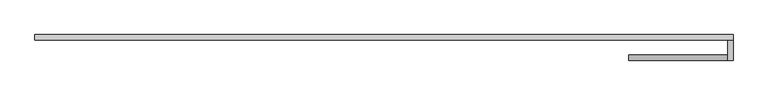
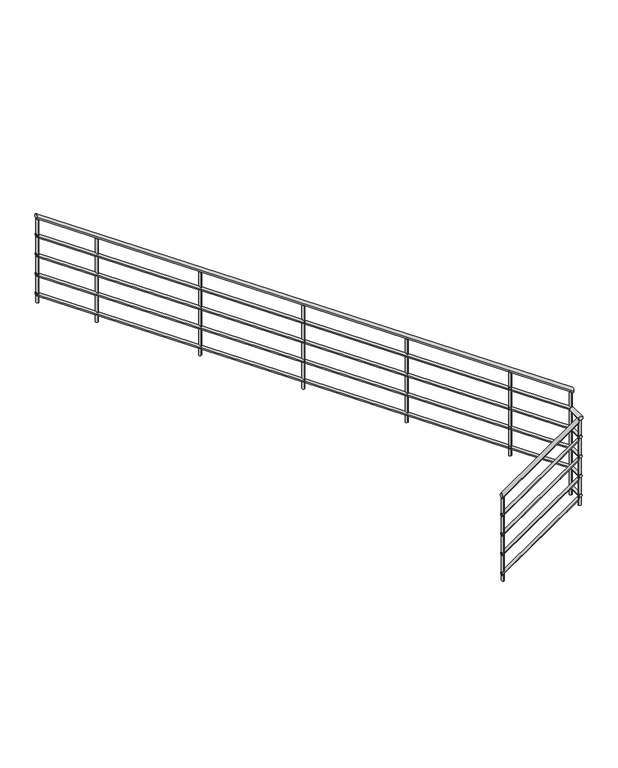
"""IFC4 building model written with IfcOpenShell, lengths in millimetres: railing geometry."""

from ifc_helpers import new_model, si_unit, point, frame, frame_2d, origin, place, context, project, spatial, circle_curve, ellipse_curve, trimmed, segment, composite_curve, outline, extrude, source, transform, mapped, element, save
from ifc_brep_helpers import plane_surface, cylinder_surface, advanced_brep


def railing_328e5c47(model_context):
    return source(origin(), model_context, "Body", "SolidModel", [
        advanced_brep(
        [(-1975.9784025, 8754.6868987, 1155.6747872), (-1975.9784025, 8794.6868987, 1155.6747872), (-1240.9784025, 8754.6868987, 1664.5209411), (-1240.9784025, 8794.6868987, 1664.5209411)],
        [
            (0, 1, ellipse_curve(frame((-1975.9784025, 8774.6868987, 1155.6747872), z_axis=(-1.0, 0.0, 0.0), x_axis=(0.0, 0.0, -1.0)), 24.3252128, 20.0)),
            (1, 0, ellipse_curve(frame((-1975.9784025, 8774.6868987, 1155.6747872), z_axis=(-1.0, 0.0, 0.0), x_axis=(0.0, 0.0, -1.0)), 24.3252128, 20.0)),
            (2, 3, ellipse_curve(frame((-1240.9784025, 8774.6868987, 1664.5209411), z_axis=(1.0, 0.0, 0.0), x_axis=(0.0, 0.0, -1.0)), 24.3252128, 20.0)),
            (3, 2, ellipse_curve(frame((-1240.9784025, 8774.6868987, 1664.5209411), z_axis=(1.0, 0.0, 0.0), x_axis=(0.0, 0.0, -1.0)), 24.3252128, 20.0)),
            (0, 2),
            (3, 1),
        ],
        [
            plane_surface(frame((-1975.9784025, 8774.6868987, 1180.0), z_axis=(-1.0, 0.0, 0.0), x_axis=(0.0, 1.0, 0.0))),
            plane_surface(frame((-1240.9784025, 8774.6868987, 1688.8461538), z_axis=(1.0, 0.0, 0.0), x_axis=(0.0, 1.0, 0.0))),
            cylinder_surface(frame((-1964.5942029, 8774.6868987, 1163.5561562), z_axis=(-0.8221921916437788, 0.0, -0.5692099788303081), x_axis=(0.0, 1.0, 0.0)), 20.0),
        ],
        [
            (0, [[1, 2]]),
            (1, [[3, 4]]),
            (2, [[-1, 5, -4, 6]]),
            (2, [[-2, -6, -3, -5]]),
        ],
    ),
        advanced_brep(
        [(-1200.9784025, 8754.6868987, 1700.0), (-1240.9784025, 8754.6868987, 1700.0), (-1200.9784025, 8904.6868987, 1700.0), (-1240.9784025, 8904.6868987, 1700.0)],
        [
            (0, 1, circle_curve(frame((-1220.9784025, 8754.6868987, 1700.0), z_axis=(0.0, -1.0, 0.0), x_axis=(-1.0, 0.0, 0.0)), 20.0)),
            (1, 0, circle_curve(frame((-1220.9784025, 8754.6868987, 1700.0), z_axis=(0.0, -1.0, 0.0), x_axis=(-1.0, 0.0, 0.0)), 20.0)),
            (2, 3, circle_curve(frame((-1220.9784025, 8904.6868987, 1700.0), z_axis=(0.0, 1.0, 0.0), x_axis=(-1.0, 0.0, 0.0)), 20.0)),
            (3, 2, circle_curve(frame((-1220.9784025, 8904.6868987, 1700.0), z_axis=(0.0, 1.0, 0.0), x_axis=(-1.0, 0.0, 0.0)), 20.0)),
            (0, 2),
            (3, 1),
        ],
        [
            plane_surface(frame((-1220.9784025, 8754.6868987, 1720.0), z_axis=(0.0, -1.0, 0.0), x_axis=(0.0, 0.0, 1.0))),
            plane_surface(frame((-1220.9784025, 8904.6868987, 1720.0), z_axis=(0.0, 1.0, 0.0), x_axis=(0.0, 0.0, 1.0))),
            cylinder_surface(frame((-1220.9784025, 8754.6868987, 1700.0), z_axis=(0.0, -1.0, 0.0), x_axis=(-1.0, 0.0, 0.0)), 20.0),
        ],
        [
            (0, [[1, 2]]),
            (1, [[3, 4]]),
            (2, [[-1, 5, -4, 6]]),
            (2, [[-2, -6, -3, -5]]),
        ],
    ),
        advanced_brep(
        [(-1200.9784025, 8944.6868987, 1879.1363257), (-1200.9784025, 8904.6868987, 1879.1363257), (-6395.9784025, 8944.6868987, 5475.6747872), (-6395.9784025, 8904.6868987, 5475.6747872)],
        [
            (0, 1, ellipse_curve(frame((-1200.9784025, 8924.6868987, 1879.1363257), z_axis=(1.0, 0.0, 0.0), x_axis=(0.0, 0.0, -1.0)), 24.3252128, 20.0)),
            (1, 0, ellipse_curve(frame((-1200.9784025, 8924.6868987, 1879.1363257), z_axis=(1.0, 0.0, 0.0), x_axis=(0.0, 0.0, -1.0)), 24.3252128, 20.0)),
            (2, 3, ellipse_curve(frame((-6395.9784025, 8924.6868987, 5475.6747872), z_axis=(-1.0, 0.0, 0.0), x_axis=(0.0, 0.0, -1.0)), 24.3252128, 20.0)),
            (3, 2, ellipse_curve(frame((-6395.9784025, 8924.6868987, 5475.6747872), z_axis=(-1.0, 0.0, 0.0), x_axis=(0.0, 0.0, -1.0)), 24.3252128, 20.0)),
            (0, 2),
            (3, 1),
        ],
        [
            plane_surface(frame((-1200.9784025, 8924.6868987, 1903.4615385), z_axis=(1.0, 0.0, 0.0), x_axis=(0.0, -1.0, 0.0))),
            plane_surface(frame((-6395.9784025, 8924.6868987, 5500.0), z_axis=(-1.0, 0.0, 0.0), x_axis=(0.0, -1.0, 0.0))),
            cylinder_surface(frame((-1212.3626021, 8924.6868987, 1887.0176946), z_axis=(0.8221921916437788, 0.0, -0.5692099788303082), x_axis=(0.0, -1.0, 0.0)), 20.0),
        ],
        [
            (0, [[1, 2]]),
            (1, [[3, 4]]),
            (2, [[-1, 5, -4, 6]]),
            (2, [[-2, -6, -3, -5]]),
        ],
    ),
        advanced_brep(
        [(-1975.9784025, 8759.6868987, 961.7560904), (-1975.9784025, 8789.6868987, 961.7560904), (-1235.9784025, 8759.6868987, 1474.0637827), (-1235.9784025, 8789.6868987, 1474.0637827)],
        [
            (0, 1, ellipse_curve(frame((-1975.9784025, 8774.6868987, 961.7560904), z_axis=(-1.0, 0.0, 0.0), x_axis=(0.0, 0.0, -1.0)), 18.2439096, 15.0)),
            (1, 0, ellipse_curve(frame((-1975.9784025, 8774.6868987, 961.7560904), z_axis=(-1.0, 0.0, 0.0), x_axis=(0.0, 0.0, -1.0)), 18.2439096, 15.0)),
            (2, 3, ellipse_curve(frame((-1235.9784025, 8774.6868987, 1474.0637827), z_axis=(1.0, 0.0, 0.0), x_axis=(0.0, 0.0, -1.0)), 18.2439096, 15.0)),
            (3, 2, ellipse_curve(frame((-1235.9784025, 8774.6868987, 1474.0637827), z_axis=(1.0, 0.0, 0.0), x_axis=(0.0, 0.0, -1.0)), 18.2439096, 15.0)),
            (0, 2),
            (3, 1),
        ],
        [
            plane_surface(frame((-1975.9784025, 8774.6868987, 980.0), z_axis=(-1.0, 0.0, 0.0), x_axis=(0.0, 1.0, 0.0))),
            plane_surface(frame((-1235.9784025, 8774.6868987, 1492.3076923), z_axis=(1.0, 0.0, 0.0), x_axis=(0.0, 1.0, 0.0))),
            cylinder_surface(frame((-1967.4402528, 8774.6868987, 967.6671171), z_axis=(-0.8221921916437788, 0.0, -0.5692099788303081), x_axis=(0.0, 1.0, 0.0)), 15.0),
        ],
        [
            (0, [[1, 2]]),
            (1, [[3, 4]]),
            (2, [[-1, 5, -4, 6]]),
            (2, [[-2, -6, -3, -5]]),
        ],
    ),
        advanced_brep(
        [(-1205.9784025, 8759.6868987, 1505.0), (-1235.9784025, 8759.6868987, 1505.0), (-1205.9784025, 8909.6868987, 1505.0), (-1235.9784025, 8909.6868987, 1505.0)],
        [
            (0, 1, circle_curve(frame((-1220.9784025, 8759.6868987, 1505.0), z_axis=(0.0, -1.0, 0.0), x_axis=(-1.0, 0.0, 0.0)), 15.0)),
            (1, 0, circle_curve(frame((-1220.9784025, 8759.6868987, 1505.0), z_axis=(0.0, -1.0, 0.0), x_axis=(-1.0, 0.0, 0.0)), 15.0)),
            (2, 3, circle_curve(frame((-1220.9784025, 8909.6868987, 1505.0), z_axis=(0.0, 1.0, 0.0), x_axis=(-1.0, 0.0, 0.0)), 15.0)),
            (3, 2, circle_curve(frame((-1220.9784025, 8909.6868987, 1505.0), z_axis=(0.0, 1.0, 0.0), x_axis=(-1.0, 0.0, 0.0)), 15.0)),
            (0, 2),
            (3, 1),
        ],
        [
            plane_surface(frame((-1220.9784025, 8759.6868987, 1520.0), z_axis=(0.0, -1.0, 0.0), x_axis=(0.0, 0.0, 1.0))),
            plane_surface(frame((-1220.9784025, 8909.6868987, 1520.0), z_axis=(0.0, 1.0, 0.0), x_axis=(0.0, 0.0, 1.0))),
            cylinder_surface(frame((-1220.9784025, 8759.6868987, 1505.0), z_axis=(0.0, -1.0, 0.0), x_axis=(-1.0, 0.0, 0.0)), 15.0),
        ],
        [
            (0, [[1, 2]]),
            (1, [[3, 4]]),
            (2, [[-1, 5, -4, 6]]),
            (2, [[-2, -6, -3, -5]]),
        ],
    ),
        advanced_brep(
        [(-1205.9784025, 8939.6868987, 1688.6791673), (-1205.9784025, 8909.6868987, 1688.6791673), (-6395.9784025, 8939.6868987, 5281.7560904), (-6395.9784025, 8909.6868987, 5281.7560904)],
        [
            (0, 1, ellipse_curve(frame((-1205.9784025, 8924.6868987, 1688.6791673), z_axis=(1.0, 0.0, 0.0), x_axis=(0.0, 0.0, -1.0)), 18.2439096, 15.0)),
            (1, 0, ellipse_curve(frame((-1205.9784025, 8924.6868987, 1688.6791673), z_axis=(1.0, 0.0, 0.0), x_axis=(0.0, 0.0, -1.0)), 18.2439096, 15.0)),
            (2, 3, ellipse_curve(frame((-6395.9784025, 8924.6868987, 5281.7560904), z_axis=(-1.0, 0.0, 0.0), x_axis=(0.0, 0.0, -1.0)), 18.2439096, 15.0)),
            (3, 2, ellipse_curve(frame((-6395.9784025, 8924.6868987, 5281.7560904), z_axis=(-1.0, 0.0, 0.0), x_axis=(0.0, 0.0, -1.0)), 18.2439096, 15.0)),
            (0, 2),
            (3, 1),
        ],
        [
            plane_surface(frame((-1205.9784025, 8924.6868987, 1706.9230769), z_axis=(1.0, 0.0, 0.0), x_axis=(0.0, -1.0, 0.0))),
            plane_surface(frame((-6395.9784025, 8924.6868987, 5300.0), z_axis=(-1.0, 0.0, 0.0), x_axis=(0.0, -1.0, 0.0))),
            cylinder_surface(frame((-1214.5165522, 8924.6868987, 1694.590194), z_axis=(0.8221921916437788, 0.0, -0.5692099788303082), x_axis=(0.0, -1.0, 0.0)), 15.0),
        ],
        [
            (0, [[1, 2]]),
            (1, [[3, 4]]),
            (2, [[-1, 5, -4, 6]]),
            (2, [[-2, -6, -3, -5]]),
        ],
    ),
        advanced_brep(
        [(-1975.9784025, 8759.6868987, 761.7560904), (-1975.9784025, 8789.6868987, 761.7560904), (-1235.9784025, 8759.6868987, 1274.0637827), (-1235.9784025, 8789.6868987, 1274.0637827)],
        [
            (0, 1, ellipse_curve(frame((-1975.9784025, 8774.6868987, 761.7560904), z_axis=(-1.0, 0.0, 0.0), x_axis=(0.0, 0.0, -1.0)), 18.2439096, 15.0)),
            (1, 0, ellipse_curve(frame((-1975.9784025, 8774.6868987, 761.7560904), z_axis=(-1.0, 0.0, 0.0), x_axis=(0.0, 0.0, -1.0)), 18.2439096, 15.0)),
            (2, 3, ellipse_curve(frame((-1235.9784025, 8774.6868987, 1274.0637827), z_axis=(1.0, 0.0, 0.0), x_axis=(0.0, 0.0, -1.0)), 18.2439096, 15.0)),
            (3, 2, ellipse_curve(frame((-1235.9784025, 8774.6868987, 1274.0637827), z_axis=(1.0, 0.0, 0.0), x_axis=(0.0, 0.0, -1.0)), 18.2439096, 15.0)),
            (0, 2),
            (3, 1),
        ],
        [
            plane_surface(frame((-1975.9784025, 8774.6868987, 780.0), z_axis=(-1.0, 0.0, 0.0), x_axis=(0.0, 1.0, 0.0))),
            plane_surface(frame((-1235.9784025, 8774.6868987, 1292.3076923), z_axis=(1.0, 0.0, 0.0), x_axis=(0.0, 1.0, 0.0))),
            cylinder_surface(frame((-1967.4402528, 8774.6868987, 767.6671171), z_axis=(-0.8221921916437788, 0.0, -0.5692099788303081), x_axis=(0.0, 1.0, 0.0)), 15.0),
        ],
        [
            (0, [[1, 2]]),
            (1, [[3, 4]]),
            (2, [[-1, 5, -4, 6]]),
            (2, [[-2, -6, -3, -5]]),
        ],
    ),
        advanced_brep(
        [(-1205.9784025, 8759.6868987, 1305.0), (-1235.9784025, 8759.6868987, 1305.0), (-1205.9784025, 8909.6868987, 1305.0), (-1235.9784025, 8909.6868987, 1305.0)],
        [
            (0, 1, circle_curve(frame((-1220.9784025, 8759.6868987, 1305.0), z_axis=(0.0, -1.0, 0.0), x_axis=(-1.0, 0.0, 0.0)), 15.0)),
            (1, 0, circle_curve(frame((-1220.9784025, 8759.6868987, 1305.0), z_axis=(0.0, -1.0, 0.0), x_axis=(-1.0, 0.0, 0.0)), 15.0)),
            (2, 3, circle_curve(frame((-1220.9784025, 8909.6868987, 1305.0), z_axis=(0.0, 1.0, 0.0), x_axis=(-1.0, 0.0, 0.0)), 15.0)),
            (3, 2, circle_curve(frame((-1220.9784025, 8909.6868987, 1305.0), z_axis=(0.0, 1.0, 0.0), x_axis=(-1.0, 0.0, 0.0)), 15.0)),
            (0, 2),
            (3, 1),
        ],
        [
            plane_surface(frame((-1220.9784025, 8759.6868987, 1320.0), z_axis=(0.0, -1.0, 0.0), x_axis=(0.0, 0.0, 1.0))),
            plane_surface(frame((-1220.9784025, 8909.6868987, 1320.0), z_axis=(0.0, 1.0, 0.0), x_axis=(0.0, 0.0, 1.0))),
            cylinder_surface(frame((-1220.9784025, 8759.6868987, 1305.0), z_axis=(0.0, -1.0, 0.0), x_axis=(-1.0, 0.0, 0.0)), 15.0),
        ],
        [
            (0, [[1, 2]]),
            (1, [[3, 4]]),
            (2, [[-1, 5, -4, 6]]),
            (2, [[-2, -6, -3, -5]]),
        ],
    ),
        advanced_brep(
        [(-1205.9784025, 8939.6868987, 1488.6791673), (-1205.9784025, 8909.6868987, 1488.6791673), (-6395.9784025, 8939.6868987, 5081.7560904), (-6395.9784025, 8909.6868987, 5081.7560904)],
        [
            (0, 1, ellipse_curve(frame((-1205.9784025, 8924.6868987, 1488.6791673), z_axis=(1.0, 0.0, 0.0), x_axis=(0.0, 0.0, -1.0)), 18.2439096, 15.0)),
            (1, 0, ellipse_curve(frame((-1205.9784025, 8924.6868987, 1488.6791673), z_axis=(1.0, 0.0, 0.0), x_axis=(0.0, 0.0, -1.0)), 18.2439096, 15.0)),
            (2, 3, ellipse_curve(frame((-6395.9784025, 8924.6868987, 5081.7560904), z_axis=(-1.0, 0.0, 0.0), x_axis=(0.0, 0.0, -1.0)), 18.2439096, 15.0)),
            (3, 2, ellipse_curve(frame((-6395.9784025, 8924.6868987, 5081.7560904), z_axis=(-1.0, 0.0, 0.0), x_axis=(0.0, 0.0, -1.0)), 18.2439096, 15.0)),
            (0, 2),
            (3, 1),
        ],
        [
            plane_surface(frame((-1205.9784025, 8924.6868987, 1506.9230769), z_axis=(1.0, 0.0, 0.0), x_axis=(0.0, -1.0, 0.0))),
            plane_surface(frame((-6395.9784025, 8924.6868987, 5100.0), z_axis=(-1.0, 0.0, 0.0), x_axis=(0.0, -1.0, 0.0))),
            cylinder_surface(frame((-1214.5165522, 8924.6868987, 1494.590194), z_axis=(0.8221921916437788, 0.0, -0.5692099788303082), x_axis=(0.0, -1.0, 0.0)), 15.0),
        ],
        [
            (0, [[1, 2]]),
            (1, [[3, 4]]),
            (2, [[-1, 5, -4, 6]]),
            (2, [[-2, -6, -3, -5]]),
        ],
    ),
        advanced_brep(
        [(-1975.9784025, 8759.6868987, 561.7560904), (-1975.9784025, 8789.6868987, 561.7560904), (-1235.9784025, 8759.6868987, 1074.0637827), (-1235.9784025, 8789.6868987, 1074.0637827)],
        [
            (0, 1, ellipse_curve(frame((-1975.9784025, 8774.6868987, 561.7560904), z_axis=(-1.0, 0.0, 0.0), x_axis=(0.0, 0.0, -1.0)), 18.2439096, 15.0)),
            (1, 0, ellipse_curve(frame((-1975.9784025, 8774.6868987, 561.7560904), z_axis=(-1.0, 0.0, 0.0), x_axis=(0.0, 0.0, -1.0)), 18.2439096, 15.0)),
            (2, 3, ellipse_curve(frame((-1235.9784025, 8774.6868987, 1074.0637827), z_axis=(1.0, 0.0, 0.0), x_axis=(0.0, 0.0, -1.0)), 18.2439096, 15.0)),
            (3, 2, ellipse_curve(frame((-1235.9784025, 8774.6868987, 1074.0637827), z_axis=(1.0, 0.0, 0.0), x_axis=(0.0, 0.0, -1.0)), 18.2439096, 15.0)),
            (0, 2),
            (3, 1),
        ],
        [
            plane_surface(frame((-1975.9784025, 8774.6868987, 580.0), z_axis=(-1.0, 0.0, 0.0), x_axis=(0.0, 1.0, 0.0))),
            plane_surface(frame((-1235.9784025, 8774.6868987, 1092.3076923), z_axis=(1.0, 0.0, 0.0), x_axis=(0.0, 1.0, 0.0))),
            cylinder_surface(frame((-1967.4402528, 8774.6868987, 567.6671171), z_axis=(-0.8221921916437789, 0.0, -0.5692099788303081), x_axis=(0.0, 1.0, 0.0)), 15.0),
        ],
        [
            (0, [[1, 2]]),
            (1, [[3, 4]]),
            (2, [[-1, 5, -4, 6]]),
            (2, [[-2, -6, -3, -5]]),
        ],
    ),
        advanced_brep(
        [(-1205.9784025, 8759.6868987, 1105.0), (-1235.9784025, 8759.6868987, 1105.0), (-1205.9784025, 8909.6868987, 1105.0), (-1235.9784025, 8909.6868987, 1105.0)],
        [
            (0, 1, circle_curve(frame((-1220.9784025, 8759.6868987, 1105.0), z_axis=(0.0, -1.0, 0.0), x_axis=(-1.0, 0.0, 0.0)), 15.0)),
            (1, 0, circle_curve(frame((-1220.9784025, 8759.6868987, 1105.0), z_axis=(0.0, -1.0, 0.0), x_axis=(-1.0, 0.0, 0.0)), 15.0)),
            (2, 3, circle_curve(frame((-1220.9784025, 8909.6868987, 1105.0), z_axis=(0.0, 1.0, 0.0), x_axis=(-1.0, 0.0, 0.0)), 15.0)),
            (3, 2, circle_curve(frame((-1220.9784025, 8909.6868987, 1105.0), z_axis=(0.0, 1.0, 0.0), x_axis=(-1.0, 0.0, 0.0)), 15.0)),
            (0, 2),
            (3, 1),
        ],
        [
            plane_surface(frame((-1220.9784025, 8759.6868987, 1120.0), z_axis=(0.0, -1.0, 0.0), x_axis=(0.0, 0.0, 1.0))),
            plane_surface(frame((-1220.9784025, 8909.6868987, 1120.0), z_axis=(0.0, 1.0, 0.0), x_axis=(0.0, 0.0, 1.0))),
            cylinder_surface(frame((-1220.9784025, 8759.6868987, 1105.0), z_axis=(0.0, -1.0, 0.0), x_axis=(-1.0, 0.0, 0.0)), 15.0),
        ],
        [
            (0, [[1, 2]]),
            (1, [[3, 4]]),
            (2, [[-1, 5, -4, 6]]),
            (2, [[-2, -6, -3, -5]]),
        ],
    ),
        advanced_brep(
        [(-1205.9784025, 8939.6868987, 1288.6791673), (-1205.9784025, 8909.6868987, 1288.6791673), (-6395.9784025, 8939.6868987, 4881.7560904), (-6395.9784025, 8909.6868987, 4881.7560904)],
        [
            (0, 1, ellipse_curve(frame((-1205.9784025, 8924.6868987, 1288.6791673), z_axis=(1.0, 0.0, 0.0), x_axis=(0.0, 0.0, -1.0)), 18.2439096, 15.0)),
            (1, 0, ellipse_curve(frame((-1205.9784025, 8924.6868987, 1288.6791673), z_axis=(1.0, 0.0, 0.0), x_axis=(0.0, 0.0, -1.0)), 18.2439096, 15.0)),
            (2, 3, ellipse_curve(frame((-6395.9784025, 8924.6868987, 4881.7560904), z_axis=(-1.0, 0.0, 0.0), x_axis=(0.0, 0.0, -1.0)), 18.2439096, 15.0)),
            (3, 2, ellipse_curve(frame((-6395.9784025, 8924.6868987, 4881.7560904), z_axis=(-1.0, 0.0, 0.0), x_axis=(0.0, 0.0, -1.0)), 18.2439096, 15.0)),
            (0, 2),
            (3, 1),
        ],
        [
            plane_surface(frame((-1205.9784025, 8924.6868987, 1306.9230769), z_axis=(1.0, 0.0, 0.0), x_axis=(0.0, -1.0, 0.0))),
            plane_surface(frame((-6395.9784025, 8924.6868987, 4900.0), z_axis=(-1.0, 0.0, 0.0), x_axis=(0.0, -1.0, 0.0))),
            cylinder_surface(frame((-1214.5165522, 8924.6868987, 1294.590194), z_axis=(0.8221921916437788, 0.0, -0.5692099788303082), x_axis=(0.0, -1.0, 0.0)), 15.0),
        ],
        [
            (0, [[1, 2]]),
            (1, [[3, 4]]),
            (2, [[-1, 5, -4, 6]]),
            (2, [[-2, -6, -3, -5]]),
        ],
    ),
        advanced_brep(
        [(-1975.9784025, 8759.6868987, 361.7560904), (-1975.9784025, 8789.6868987, 361.7560904), (-1235.9784025, 8759.6868987, 874.0637827), (-1235.9784025, 8789.6868987, 874.0637827)],
        [
            (0, 1, ellipse_curve(frame((-1975.9784025, 8774.6868987, 361.7560904), z_axis=(-1.0, 0.0, 0.0), x_axis=(0.0, 0.0, -1.0)), 18.2439096, 15.0)),
            (1, 0, ellipse_curve(frame((-1975.9784025, 8774.6868987, 361.7560904), z_axis=(-1.0, 0.0, 0.0), x_axis=(0.0, 0.0, -1.0)), 18.2439096, 15.0)),
            (2, 3, ellipse_curve(frame((-1235.9784025, 8774.6868987, 874.0637827), z_axis=(1.0, 0.0, 0.0), x_axis=(0.0, 0.0, -1.0)), 18.2439096, 15.0)),
            (3, 2, ellipse_curve(frame((-1235.9784025, 8774.6868987, 874.0637827), z_axis=(1.0, 0.0, 0.0), x_axis=(0.0, 0.0, -1.0)), 18.2439096, 15.0)),
            (0, 2),
            (3, 1),
        ],
        [
            plane_surface(frame((-1975.9784025, 8774.6868987, 380.0), z_axis=(-1.0, 0.0, 0.0), x_axis=(0.0, 1.0, 0.0))),
            plane_surface(frame((-1235.9784025, 8774.6868987, 892.3076923), z_axis=(1.0, 0.0, 0.0), x_axis=(0.0, 1.0, 0.0))),
            cylinder_surface(frame((-1967.4402528, 8774.6868987, 367.6671171), z_axis=(-0.8221921916437789, 0.0, -0.5692099788303081), x_axis=(0.0, 1.0, 0.0)), 15.0),
        ],
        [
            (0, [[1, 2]]),
            (1, [[3, 4]]),
            (2, [[-1, 5, -4, 6]]),
            (2, [[-2, -6, -3, -5]]),
        ],
    ),
        advanced_brep(
        [(-1205.9784025, 8759.6868987, 905.0), (-1235.9784025, 8759.6868987, 905.0), (-1205.9784025, 8909.6868987, 905.0), (-1235.9784025, 8909.6868987, 905.0)],
        [
            (0, 1, circle_curve(frame((-1220.9784025, 8759.6868987, 905.0), z_axis=(0.0, -1.0, 0.0), x_axis=(-1.0, 0.0, 0.0)), 15.0)),
            (1, 0, circle_curve(frame((-1220.9784025, 8759.6868987, 905.0), z_axis=(0.0, -1.0, 0.0), x_axis=(-1.0, 0.0, 0.0)), 15.0)),
            (2, 3, circle_curve(frame((-1220.9784025, 8909.6868987, 905.0), z_axis=(0.0, 1.0, 0.0), x_axis=(-1.0, 0.0, 0.0)), 15.0)),
            (3, 2, circle_curve(frame((-1220.9784025, 8909.6868987, 905.0), z_axis=(0.0, 1.0, 0.0), x_axis=(-1.0, 0.0, 0.0)), 15.0)),
            (0, 2),
            (3, 1),
        ],
        [
            plane_surface(frame((-1220.9784025, 8759.6868987, 920.0), z_axis=(0.0, -1.0, 0.0), x_axis=(0.0, 0.0, 1.0))),
            plane_surface(frame((-1220.9784025, 8909.6868987, 920.0), z_axis=(0.0, 1.0, 0.0), x_axis=(0.0, 0.0, 1.0))),
            cylinder_surface(frame((-1220.9784025, 8759.6868987, 905.0), z_axis=(0.0, -1.0, 0.0), x_axis=(-1.0, 0.0, 0.0)), 15.0),
        ],
        [
            (0, [[1, 2]]),
            (1, [[3, 4]]),
            (2, [[-1, 5, -4, 6]]),
            (2, [[-2, -6, -3, -5]]),
        ],
    ),
        advanced_brep(
        [(-1205.9784025, 8939.6868987, 1088.6791673), (-1205.9784025, 8909.6868987, 1088.6791673), (-6395.9784025, 8939.6868987, 4681.7560904), (-6395.9784025, 8909.6868987, 4681.7560904)],
        [
            (0, 1, ellipse_curve(frame((-1205.9784025, 8924.6868987, 1088.6791673), z_axis=(1.0, 0.0, 0.0), x_axis=(0.0, 0.0, -1.0)), 18.2439096, 15.0)),
            (1, 0, ellipse_curve(frame((-1205.9784025, 8924.6868987, 1088.6791673), z_axis=(1.0, 0.0, 0.0), x_axis=(0.0, 0.0, -1.0)), 18.2439096, 15.0)),
            (2, 3, ellipse_curve(frame((-6395.9784025, 8924.6868987, 4681.7560904), z_axis=(-1.0, 0.0, 0.0), x_axis=(0.0, 0.0, -1.0)), 18.2439096, 15.0)),
            (3, 2, ellipse_curve(frame((-6395.9784025, 8924.6868987, 4681.7560904), z_axis=(-1.0, 0.0, 0.0), x_axis=(0.0, 0.0, -1.0)), 18.2439096, 15.0)),
            (0, 2),
            (3, 1),
        ],
        [
            plane_surface(frame((-1205.9784025, 8924.6868987, 1106.9230769), z_axis=(1.0, 0.0, 0.0), x_axis=(0.0, -1.0, 0.0))),
            plane_surface(frame((-6395.9784025, 8924.6868987, 4700.0), z_axis=(-1.0, 0.0, 0.0), x_axis=(0.0, -1.0, 0.0))),
            cylinder_surface(frame((-1214.5165522, 8924.6868987, 1094.590194), z_axis=(0.8221921916437788, 0.0, -0.5692099788303082), x_axis=(0.0, -1.0, 0.0)), 15.0),
        ],
        [
            (0, [[1, 2]]),
            (1, [[3, 4]]),
            (2, [[-1, 5, -4, 6]]),
            (2, [[-2, -6, -3, -5]]),
        ],
    ),
        advanced_brep(
        [(-5808.4784025, 8912.1868987, 5044.6188052), (-5808.4784025, 8937.1868987, 5044.6188052), (-5808.4784025, 8937.1868987, 4193.2692308), (-5808.4784025, 8912.1868987, 4193.2692308)],
        [
            (0, 1, ellipse_curve(frame((-5808.4784025, 8924.6868987, 5044.6188052), z_axis=(-0.569209978830308, 0.0, -0.8221921916437789), x_axis=(-0.8221921916437789, 0.0, 0.5692099788303079)), 15.203258, 12.5)),
            (1, 2),
            (2, 3, circle_curve(frame((-5808.4784025, 8924.6868987, 4193.2692308), z_axis=(0.0, 0.0, 1.0), x_axis=(0.0, 1.0, 0.0)), 12.5)),
            (3, 0),
            (3, 2, circle_curve(frame((-5808.4784025, 8924.6868987, 4193.2692308), z_axis=(0.0, 0.0, 1.0), x_axis=(0.0, 1.0, 0.0)), 12.5)),
            (1, 0, ellipse_curve(frame((-5808.4784025, 8924.6868987, 5044.6188052), z_axis=(-0.569209978830308, 0.0, -0.8221921916437789), x_axis=(-0.8221921916437789, 0.0, 0.5692099788303079)), 15.203258, 12.5)),
        ],
        [
            cylinder_surface(frame((-5808.4784025, 8924.6868987, 4093.2692308), z_axis=(0.0, 0.0, 1.0), x_axis=(0.0, 1.0, 0.0)), 12.5),
            plane_surface(frame((-5833.4784025, 8949.6868987, 5061.9264975), z_axis=(0.569209978830308, 0.0, 0.8221921916437789), x_axis=(0.0, -1.0, 0.0))),
            plane_surface(frame((-5783.4784025, 8949.6868987, 4193.2692308), z_axis=(0.0, 0.0, -1.0), x_axis=(0.0, -1.0, 0.0))),
        ],
        [
            (0, [[1, 2, 3, 4]]),
            (0, [[5, -2, 6, -4]]),
            (1, [[-6, -1]]),
            (2, [[-5, -3]]),
        ],
    ),
        advanced_brep(
        [(-4808.4784025, 8912.1868987, 4352.3111129), (-4808.4784025, 8937.1868987, 4352.3111129), (-4808.4784025, 8937.1868987, 3500.9615385), (-4808.4784025, 8912.1868987, 3500.9615385)],
        [
            (0, 1, ellipse_curve(frame((-4808.4784025, 8924.6868987, 4352.3111129), z_axis=(-0.569209978830308, 0.0, -0.8221921916437789), x_axis=(-0.8221921916437789, 0.0, 0.5692099788303079)), 15.203258, 12.5)),
            (1, 2),
            (2, 3, circle_curve(frame((-4808.4784025, 8924.6868987, 3500.9615385), z_axis=(0.0, 0.0, 1.0), x_axis=(0.0, 1.0, 0.0)), 12.5)),
            (3, 0),
            (3, 2, circle_curve(frame((-4808.4784025, 8924.6868987, 3500.9615385), z_axis=(0.0, 0.0, 1.0), x_axis=(0.0, 1.0, 0.0)), 12.5)),
            (1, 0, ellipse_curve(frame((-4808.4784025, 8924.6868987, 4352.3111129), z_axis=(-0.569209978830308, 0.0, -0.8221921916437789), x_axis=(-0.8221921916437789, 0.0, 0.5692099788303079)), 15.203258, 12.5)),
        ],
        [
            cylinder_surface(frame((-4808.4784025, 8924.6868987, 3400.9615385), z_axis=(0.0, 0.0, 1.0), x_axis=(0.0, 1.0, 0.0)), 12.5),
            plane_surface(frame((-4833.4784025, 8949.6868987, 4369.6188052), z_axis=(0.569209978830308, 0.0, 0.8221921916437789), x_axis=(0.0, -1.0, 0.0))),
            plane_surface(frame((-4783.4784025, 8949.6868987, 3500.9615385), z_axis=(0.0, 0.0, -1.0), x_axis=(0.0, -1.0, 0.0))),
        ],
        [
            (0, [[1, 2, 3, 4]]),
            (0, [[5, -2, 6, -4]]),
            (1, [[-6, -1]]),
            (2, [[-5, -3]]),
        ],
    ),
        advanced_brep(
        [(-3808.4784025, 8912.1868987, 3660.0034206), (-3808.4784025, 8937.1868987, 3660.0034206), (-3808.4784025, 8937.1868987, 2808.6538462), (-3808.4784025, 8912.1868987, 2808.6538462)],
        [
            (0, 1, ellipse_curve(frame((-3808.4784025, 8924.6868987, 3660.0034206), z_axis=(-0.569209978830308, 0.0, -0.8221921916437789), x_axis=(-0.8221921916437789, 0.0, 0.5692099788303079)), 15.203258, 12.5)),
            (1, 2),
            (2, 3, circle_curve(frame((-3808.4784025, 8924.6868987, 2808.6538462), z_axis=(0.0, 0.0, 1.0), x_axis=(0.0, 1.0, 0.0)), 12.5)),
            (3, 0),
            (3, 2, circle_curve(frame((-3808.4784025, 8924.6868987, 2808.6538462), z_axis=(0.0, 0.0, 1.0), x_axis=(0.0, 1.0, 0.0)), 12.5)),
            (1, 0, ellipse_curve(frame((-3808.4784025, 8924.6868987, 3660.0034206), z_axis=(-0.569209978830308, 0.0, -0.8221921916437789), x_axis=(-0.8221921916437789, 0.0, 0.5692099788303079)), 15.203258, 12.5)),
        ],
        [
            cylinder_surface(frame((-3808.4784025, 8924.6868987, 2708.6538462), z_axis=(0.0, 0.0, 1.0), x_axis=(0.0, 1.0, 0.0)), 12.5),
            plane_surface(frame((-3833.4784025, 8949.6868987, 3677.3111129), z_axis=(0.569209978830308, 0.0, 0.8221921916437789), x_axis=(0.0, -1.0, 0.0))),
            plane_surface(frame((-3783.4784025, 8949.6868987, 2808.6538462), z_axis=(0.0, 0.0, -1.0), x_axis=(0.0, -1.0, 0.0))),
        ],
        [
            (0, [[1, 2, 3, 4]]),
            (0, [[5, -2, 6, -4]]),
            (1, [[-6, -1]]),
            (2, [[-5, -3]]),
        ],
    ),
        advanced_brep(
        [(-2808.4784025, 8912.1868987, 2967.6957283), (-2808.4784025, 8937.1868987, 2967.6957283), (-2808.4784025, 8937.1868987, 2116.3461538), (-2808.4784025, 8912.1868987, 2116.3461538)],
        [
            (0, 1, ellipse_curve(frame((-2808.4784025, 8924.6868987, 2967.6957283), z_axis=(-0.569209978830308, 0.0, -0.8221921916437789), x_axis=(-0.8221921916437789, 0.0, 0.5692099788303079)), 15.203258, 12.5)),
            (1, 2),
            (2, 3, circle_curve(frame((-2808.4784025, 8924.6868987, 2116.3461538), z_axis=(0.0, 0.0, 1.0), x_axis=(0.0, 1.0, 0.0)), 12.5)),
            (3, 0),
            (3, 2, circle_curve(frame((-2808.4784025, 8924.6868987, 2116.3461538), z_axis=(0.0, 0.0, 1.0), x_axis=(0.0, 1.0, 0.0)), 12.5)),
            (1, 0, ellipse_curve(frame((-2808.4784025, 8924.6868987, 2967.6957283), z_axis=(-0.569209978830308, 0.0, -0.8221921916437789), x_axis=(-0.8221921916437789, 0.0, 0.5692099788303079)), 15.203258, 12.5)),
        ],
        [
            cylinder_surface(frame((-2808.4784025, 8924.6868987, 2016.3461538), z_axis=(0.0, 0.0, 1.0), x_axis=(0.0, 1.0, 0.0)), 12.5),
            plane_surface(frame((-2833.4784025, 8949.6868987, 2985.0034206), z_axis=(0.569209978830308, 0.0, 0.8221921916437789), x_axis=(0.0, -1.0, 0.0))),
            plane_surface(frame((-2783.4784025, 8949.6868987, 2116.3461538), z_axis=(0.0, 0.0, -1.0), x_axis=(0.0, -1.0, 0.0))),
        ],
        [
            (0, [[1, 2, 3, 4]]),
            (0, [[5, -2, 6, -4]]),
            (1, [[-6, -1]]),
            (2, [[-5, -3]]),
        ],
    ),
        advanced_brep(
        [(-1808.4784025, 8912.1868987, 2275.388036), (-1808.4784025, 8937.1868987, 2275.388036), (-1808.4784025, 8937.1868987, 1424.0384615), (-1808.4784025, 8912.1868987, 1424.0384615)],
        [
            (0, 1, ellipse_curve(frame((-1808.4784025, 8924.6868987, 2275.388036), z_axis=(-0.569209978830308, 0.0, -0.8221921916437789), x_axis=(-0.8221921916437789, 0.0, 0.5692099788303079)), 15.203258, 12.5)),
            (1, 2),
            (2, 3, circle_curve(frame((-1808.4784025, 8924.6868987, 1424.0384615), z_axis=(0.0, 0.0, 1.0), x_axis=(0.0, 1.0, 0.0)), 12.5)),
            (3, 0),
            (3, 2, circle_curve(frame((-1808.4784025, 8924.6868987, 1424.0384615), z_axis=(0.0, 0.0, 1.0), x_axis=(0.0, 1.0, 0.0)), 12.5)),
            (1, 0, ellipse_curve(frame((-1808.4784025, 8924.6868987, 2275.388036), z_axis=(-0.569209978830308, 0.0, -0.8221921916437789), x_axis=(-0.8221921916437789, 0.0, 0.5692099788303079)), 15.203258, 12.5)),
        ],
        [
            cylinder_surface(frame((-1808.4784025, 8924.6868987, 1324.0384615), z_axis=(0.0, 0.0, 1.0), x_axis=(0.0, 1.0, 0.0)), 12.5),
            plane_surface(frame((-1833.4784025, 8949.6868987, 2292.6957283), z_axis=(0.569209978830308, 0.0, 0.8221921916437789), x_axis=(0.0, -1.0, 0.0))),
            plane_surface(frame((-1783.4784025, 8949.6868987, 1424.0384615), z_axis=(0.0, 0.0, -1.0), x_axis=(0.0, -1.0, 0.0))),
        ],
        [
            (0, [[1, 2, 3, 4]]),
            (0, [[5, -2, 6, -4]]),
            (1, [[-6, -1]]),
            (2, [[-5, -3]]),
        ],
    ),
        advanced_brep(
        [(-1220.9784025, 8912.1868987, 1868.6572668), (-1220.9784025, 8937.1868987, 1868.6572668), (-1220.9784025, 8937.1868987, 820.0), (-1220.9784025, 8912.1868987, 820.0)],
        [
            (0, 1, ellipse_curve(frame((-1220.9784025, 8924.6868987, 1868.6572668), z_axis=(-0.569209978830308, 0.0, -0.8221921916437789), x_axis=(-0.8221921916437789, 0.0, 0.5692099788303079)), 15.203258, 12.5)),
            (1, 2),
            (2, 3, circle_curve(frame((-1220.9784025, 8924.6868987, 820.0), z_axis=(0.0, 0.0, 1.0), x_axis=(0.0, 1.0, 0.0)), 12.5)),
            (3, 0),
            (3, 2, circle_curve(frame((-1220.9784025, 8924.6868987, 820.0), z_axis=(0.0, 0.0, 1.0), x_axis=(0.0, 1.0, 0.0)), 12.5)),
            (1, 0, ellipse_curve(frame((-1220.9784025, 8924.6868987, 1868.6572668), z_axis=(-0.569209978830308, 0.0, -0.8221921916437789), x_axis=(-0.8221921916437789, 0.0, 0.5692099788303079)), 15.203258, 12.5)),
        ],
        [
            cylinder_surface(frame((-1220.9784025, 8924.6868987, 720.0), z_axis=(0.0, 0.0, 1.0), x_axis=(0.0, 1.0, 0.0)), 12.5),
            plane_surface(frame((-1245.9784025, 8949.6868987, 1885.9649591), z_axis=(0.569209978830308, 0.0, 0.8221921916437789), x_axis=(0.0, -1.0, 0.0))),
            plane_surface(frame((-1195.9784025, 8949.6868987, 820.0), z_axis=(0.0, 0.0, -1.0), x_axis=(0.0, -1.0, 0.0))),
        ],
        [
            (0, [[1, 2, 3, 4]]),
            (0, [[5, -2, 6, -4]]),
            (1, [[-6, -1]]),
            (2, [[-5, -3]]),
        ],
    ),
        extrude(outline(composite_curve([segment(trimmed(circle_curve(frame_2d((-1220.9784025, 8774.6868987)), 12.5), [point((-1208.4784025, 8774.6868987))], [point((-1233.4784025, 8774.6868987))], False, "CARTESIAN"), True, "CONTINUOUS"), segment(trimmed(circle_curve(frame_2d((-1220.9784025, 8774.6868987)), 12.5), [point((-1233.4784025, 8774.6868987))], [point((-1208.4784025, 8774.6868987))], False, "CARTESIAN"), True, "CONTINUOUS")], self_intersect=False)), frame((0.0, 0.0, 802.6923077), z_axis=(0.0, 0.0, 1.0), x_axis=(1.0, 0.0, 0.0)), (0.0, 0.0, 1.0), 877.3076923),
        advanced_brep(
        [(-6383.7918036, 8912.1868987, 5442.9126983), (-6383.7918036, 8937.1868987, 5442.9126983), (-6383.7918036, 8937.1868987, 4591.5631238), (-6383.7918036, 8912.1868987, 4591.5631238)],
        [
            (0, 1, ellipse_curve(frame((-6383.7918036, 8924.6868987, 5442.9126983), z_axis=(-0.569209978830308, 0.0, -0.8221921916437789), x_axis=(-0.8221921916437789, 0.0, 0.5692099788303079)), 15.203258, 12.5)),
            (1, 2),
            (2, 3, circle_curve(frame((-6383.7918036, 8924.6868987, 4591.5631238), z_axis=(0.0, 0.0, 1.0), x_axis=(0.0, 1.0, 0.0)), 12.5)),
            (3, 0),
            (3, 2, circle_curve(frame((-6383.7918036, 8924.6868987, 4591.5631238), z_axis=(0.0, 0.0, 1.0), x_axis=(0.0, 1.0, 0.0)), 12.5)),
            (1, 0, ellipse_curve(frame((-6383.7918036, 8924.6868987, 5442.9126983), z_axis=(-0.569209978830308, 0.0, -0.8221921916437789), x_axis=(-0.8221921916437789, 0.0, 0.5692099788303079)), 15.203258, 12.5)),
        ],
        [
            cylinder_surface(frame((-6383.7918036, 8924.6868987, 4491.5631238), z_axis=(0.0, 0.0, 1.0), x_axis=(0.0, 1.0, 0.0)), 12.5),
            plane_surface(frame((-6408.7918036, 8949.6868987, 5460.2203906), z_axis=(0.569209978830308, 0.0, 0.8221921916437789), x_axis=(0.0, -1.0, 0.0))),
            plane_surface(frame((-6358.7918036, 8949.6868987, 4591.5631238), z_axis=(0.0, 0.0, -1.0), x_axis=(0.0, -1.0, 0.0))),
        ],
        [
            (0, [[1, 2, 3, 4]]),
            (0, [[5, -2, 6, -4]]),
            (1, [[-6, -1]]),
            (2, [[-5, -3]]),
        ],
    ),
        advanced_brep(
        [(-1963.7918036, 8787.1868987, 1139.7864506), (-1963.7918036, 8762.1868987, 1139.7864506), (-1963.7918036, 8762.1868987, 288.4368762), (-1963.7918036, 8787.1868987, 288.4368762)],
        [
            (0, 1, ellipse_curve(frame((-1963.7918036, 8774.6868987, 1139.7864506), z_axis=(0.569209978830308, 0.0, -0.8221921916437789), x_axis=(0.8221921916437789, 0.0, 0.5692099788303079)), 15.203258, 12.5)),
            (1, 2),
            (2, 3, circle_curve(frame((-1963.7918036, 8774.6868987, 288.4368762), z_axis=(0.0, 0.0, 1.0), x_axis=(0.0, -1.0, 0.0)), 12.5)),
            (3, 0),
            (3, 2, circle_curve(frame((-1963.7918036, 8774.6868987, 288.4368762), z_axis=(0.0, 0.0, 1.0), x_axis=(0.0, -1.0, 0.0)), 12.5)),
            (1, 0, ellipse_curve(frame((-1963.7918036, 8774.6868987, 1139.7864506), z_axis=(0.569209978830308, 0.0, -0.8221921916437789), x_axis=(0.8221921916437789, 0.0, 0.5692099788303079)), 15.203258, 12.5)),
        ],
        [
            cylinder_surface(frame((-1963.7918036, 8774.6868987, 188.4368762), z_axis=(0.0, 0.0, 1.0), x_axis=(0.0, -1.0, 0.0)), 12.5),
            plane_surface(frame((-1938.7918036, 8749.6868987, 1157.0941429), z_axis=(-0.569209978830308, 0.0, 0.8221921916437789), x_axis=(0.0, 1.0, 0.0))),
            plane_surface(frame((-1988.7918036, 8749.6868987, 288.4368762), z_axis=(0.0, 0.0, -1.0), x_axis=(0.0, 1.0, 0.0))),
        ],
        [
            (0, [[1, 2, 3, 4]]),
            (0, [[5, -2, 6, -4]]),
            (1, [[-6, -1]]),
            (2, [[-5, -3]]),
        ],
    ),
    ])


if __name__ == "__main__":
    model = new_model("IFC4")
    model_context = context("Model", 3, world=origin())
    ifc_project = project(units=[si_unit("LENGTHUNIT", "METRE", prefix="MILLI")], contexts=[model_context])
    site = spatial("IfcSite", under=ifc_project)
    building = spatial("IfcBuilding", under=site)
    placement = place(None, origin())
    railing_shape = railing_328e5c47(model_context)
    element("IfcRailing", 1, at=placement, inside=building, context=model_context, shape_type="MappedRepresentation", body=[
        mapped(railing_shape, transform((0.0, 0.0, 0.0), x_axis=(1.0, 0.0, 0.0), y_axis=(0.0, 1.0, 0.0), z_axis=(0.0, 0.0, 1.0))),
    ])
    save(model, "model.ifc")
